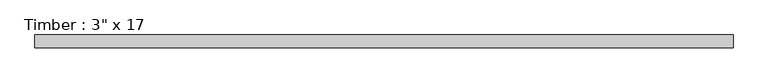
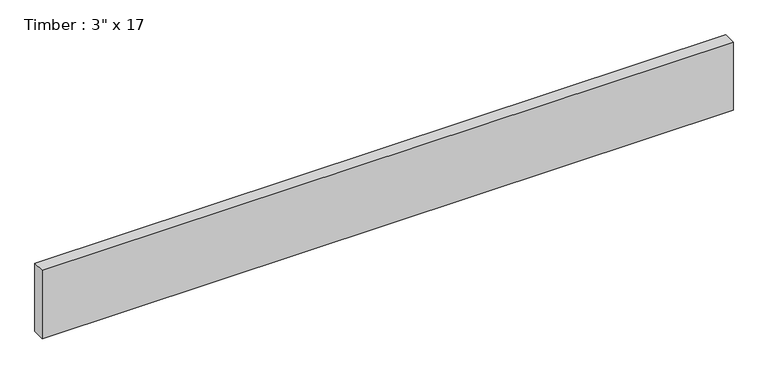
"""IFC4 building model written with IfcOpenShell, lengths in millimetres: beam geometry."""

from ifc_helpers import new_model, si_unit, frame, origin, place, context, project, spatial, polyline, outline, extrude, source, transform, mapped, element, save


def beam_a49c508b(model_context):
    return source(origin(), model_context, "Body", "SweptSolid", [
        extrude(outline(polyline([(2066.6464717, 38.1), (2066.6464717, -38.1), (-2066.6464717, -38.1), (-2066.6464717, 38.1), (2066.6464717, 38.1)])), frame((0.0, 0.0, -215.9), z_axis=(0.0, 0.0, 1.0), x_axis=(1.0, 0.0, 0.0)), (0.0, 0.0, 1.0), 431.8),
    ])


if __name__ == "__main__":
    model = new_model("IFC4")
    model_context = context("Model", 3, world=origin())
    ifc_project = project(units=[si_unit("LENGTHUNIT", "METRE", prefix="MILLI")], contexts=[model_context])
    site = spatial("IfcSite", under=ifc_project)
    building = spatial("IfcBuilding", under=site)
    placement = place(None, origin())
    beam_shape = beam_a49c508b(model_context)
    element("IfcBeam", 1, ObjectType="Timber : 3\" x 17", at=placement, inside=building, context=model_context, shape_type="MappedRepresentation", body=[
        mapped(beam_shape, transform((0.0, 0.0, 0.0), x_axis=(1.0, 0.0, 0.0), y_axis=(0.0, 1.0, 0.0), z_axis=(0.0, 0.0, 1.0))),
    ])
    save(model, "model.ifc")
